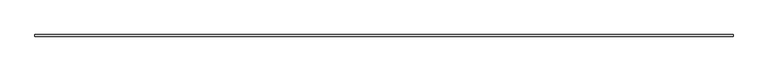
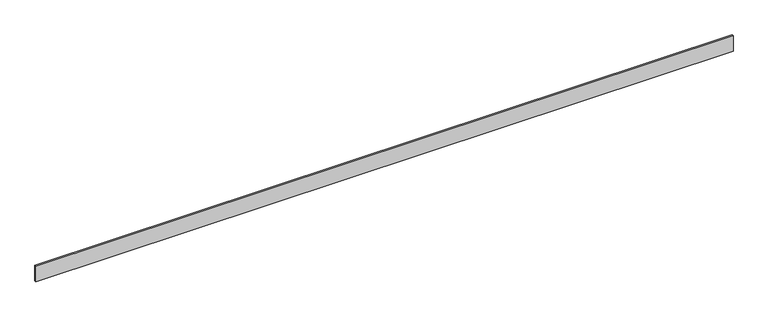
"""IFC4 building model written with IfcOpenShell, lengths in millimetres: furniture geometry."""

from ifc_helpers import new_model, si_unit, origin, origin_with_axes, place, context, project, spatial, polyline, outline, extrude, source, transform, mapped, element, save


def furniture_d6445274(model_context):
    return source(origin(), model_context, "Body", "SweptSolid", [
        extrude(outline(polyline([(0.0, 0.0), (0.0, 10.0), (4228.1053908, 10.0), (4228.1053908, 0.0), (0.0, 0.0)])), origin_with_axes(), (0.0, 0.0, 1.0), 100.0),
    ])


if __name__ == "__main__":
    model = new_model("IFC4")
    model_context = context("Model", 3, world=origin())
    ifc_project = project(units=[si_unit("LENGTHUNIT", "METRE", prefix="MILLI")], contexts=[model_context])
    site = spatial("IfcSite", under=ifc_project)
    building = spatial("IfcBuilding", under=site)
    placement = place(None, origin())
    furniture_shape = furniture_d6445274(model_context)
    element("IfcFurniture", 1, at=placement, inside=building, context=model_context, shape_type="MappedRepresentation", body=[
        mapped(furniture_shape, transform((0.0, 0.0, 0.0), x_axis=(1.0, 0.0, 0.0), y_axis=(0.0, 1.0, 0.0), z_axis=(0.0, 0.0, 1.0))),
    ])
    save(model, "model.ifc")
